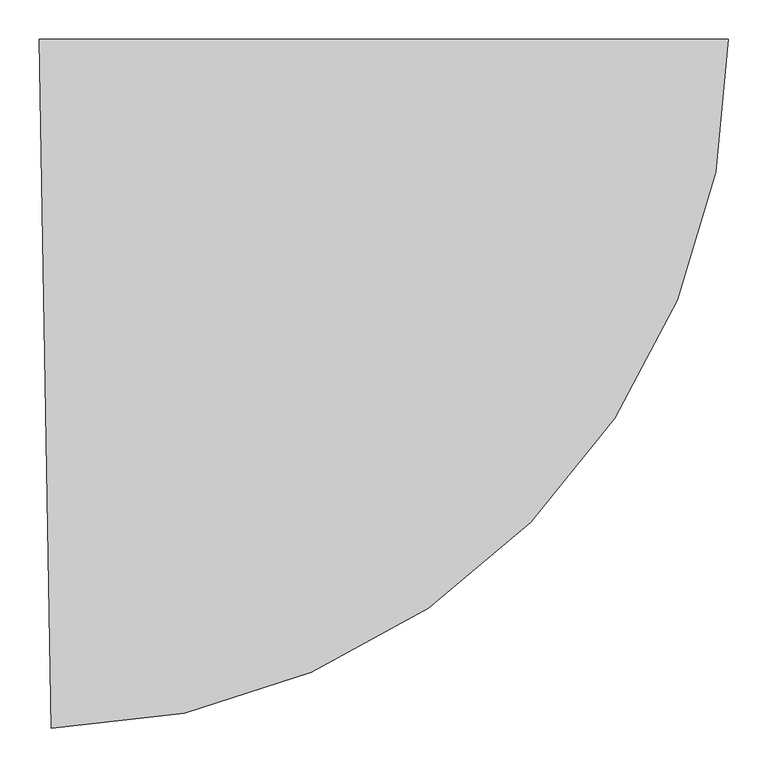
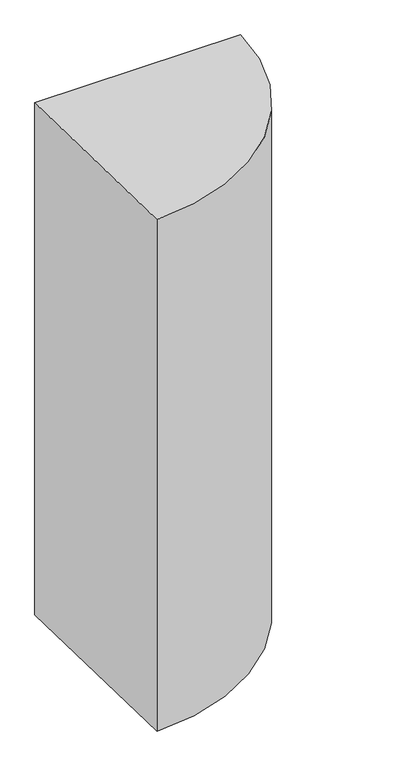
"""IFC4 building model written with IfcOpenShell, lengths in millimetres: proxy geometry."""

import ifcopenshell
import ifcopenshell.guid

model = None  # the IFC model being written
_history = None  # IfcOwnerHistory: only IFC2X3 demands one
_inside = {}  # id of a spatial element -> (the spatial element, [elements in it])
_under = {}  # id of a project, library or spatial element -> (it, [spatial elements below it])
_declared = {}  # id of a project -> (the project, [libraries it declares])
_typed = {}  # id of a type object -> (the type object, [elements of that type])
_made_of = {}  # id of a material, layer set ... -> (it, [elements and type objects made of it])


def new_model(schema):
    """Start an empty IFC model of exactly this schema.

    Asked for "IFC4X3", IfcOpenShell would pick the latest addendum, in which some entities
    have other attributes; the version numbers below select the first issue.
    IFC2X3 requires an IfcOwnerHistory on every rooted entity: one is made here for all.
    """
    global model, _history
    if schema == "IFC4X3":
        model = ifcopenshell.file(schema_version=(4, 3, 0, 0))
    else:
        model = ifcopenshell.file(schema=schema)
    _inside.clear()
    _under.clear()
    _declared.clear()
    _typed.clear()
    _made_of.clear()
    _history = None
    if model.schema == "IFC2X3":
        org = make("IfcOrganization", Name="unknown")
        user = make(
            "IfcPersonAndOrganization",
            ThePerson=make("IfcPerson", FamilyName="unknown"),
            TheOrganization=org,
        )
        app = make(
            "IfcApplication",
            ApplicationDeveloper=org,
            Version="unknown",
            ApplicationFullName="unknown",
            ApplicationIdentifier="unknown",
        )
        _history = make(
            "IfcOwnerHistory",
            OwningUser=user,
            OwningApplication=app,
            ChangeAction="ADDED",
            CreationDate=0,
        )
    return model


def make(cls, **values):
    """One entity of the class cls with the attributes given. An attribute that is None is left unset."""
    return model.create_entity(
        cls, **{name: value for name, value in values.items() if value is not None}
    )


def rooted(cls, **values):
    """An entity with a GlobalId (a new one), such as an element, a storey or a relation."""
    return make(cls, GlobalId=ifcopenshell.guid.new(), OwnerHistory=_history, **values)


def si_unit(unit_type, name, prefix=None):
    """IfcSIUnit, for example si_unit("LENGTHUNIT", "METRE", prefix="MILLI")."""
    return make("IfcSIUnit", UnitType=unit_type, Prefix=prefix, Name=name)


def assignment(units):
    """IfcUnitAssignment: the units of a project."""
    return None if units is None else make("IfcUnitAssignment", Units=units)


def point(xyz):
    """IfcCartesianPoint."""
    return None if xyz is None else make("IfcCartesianPoint", Coordinates=xyz)


def direction(xyz):
    """IfcDirection."""
    return None if xyz is None else make("IfcDirection", DirectionRatios=xyz)


def frame(location, z_axis=None, x_axis=None):
    """IfcAxis2Placement3D, a coordinate frame: its origin and axes. An axis left out is left unset."""
    return make(
        "IfcAxis2Placement3D",
        Location=point(location),
        Axis=direction(z_axis),
        RefDirection=direction(x_axis),
    )


def frame_2d(location, x_axis=None):
    """IfcAxis2Placement2D, a coordinate frame in the plane: its origin and x axis."""
    return make(
        "IfcAxis2Placement2D", Location=point(location), RefDirection=direction(x_axis)
    )


def origin():
    """The frame at (0, 0, 0) with its axes left unset."""
    return frame((0.0, 0.0, 0.0))


def origin_with_axes():
    """The frame at (0, 0, 0) with the z axis (0, 0, 1) and the x axis (1, 0, 0) written out."""
    return frame((0.0, 0.0, 0.0), z_axis=(0.0, 0.0, 1.0), x_axis=(1.0, 0.0, 0.0))


def origin_2d():
    """The frame at (0, 0) in the plane with its x axis left unset."""
    return frame_2d((0.0, 0.0))


def place(relative_to, where):
    """IfcLocalPlacement: puts the frame where relative to a parent placement (None: the world)."""
    return make(
        "IfcLocalPlacement", PlacementRelTo=relative_to, RelativePlacement=where
    )


def context(
    kind, dimensions, precision=None, world=None, true_north=None, identifier=None
):
    """IfcGeometricRepresentationContext, for example the 3D "Model" context."""
    return make(
        "IfcGeometricRepresentationContext",
        ContextIdentifier=identifier,
        ContextType=kind,
        CoordinateSpaceDimension=dimensions,
        Precision=precision,
        WorldCoordinateSystem=world,
        TrueNorth=true_north,
    )


def project(units=None, contexts=None):
    """IfcProject with its units and contexts."""
    return rooted(
        "IfcProject",
        Name="project",
        RepresentationContexts=contexts,
        UnitsInContext=assignment(units),
    )


def spatial(cls, under=None, at=None, **own):
    """A site, building, storey or space (cls), placed at a placement, below another one or the project."""
    s = rooted(cls, ObjectPlacement=at, **own)
    if under is not None:
        _under.setdefault(under.id(), (under, []))[1].append(s)
    return s


def polyline(points):
    """IfcPolyline through the points."""
    return make("IfcPolyline", Points=[point(p) for p in points])


def circle_curve(where, radius):
    """IfcCircle in the frame where."""
    return make("IfcCircle", Position=where, Radius=radius)


def trimmed(basis, trim1, trim2, sense, master):
    """IfcTrimmedCurve: the piece of a basis curve between two trims."""
    return make(
        "IfcTrimmedCurve",
        BasisCurve=basis,
        Trim1=trim1,
        Trim2=trim2,
        SenseAgreement=sense,
        MasterRepresentation=master,
    )


def segment(curve, same_sense, transition):
    """IfcCompositeCurveSegment."""
    return make(
        "IfcCompositeCurveSegment",
        Transition=transition,
        SameSense=same_sense,
        ParentCurve=curve,
    )


def composite_curve(segments, self_intersect=None):
    """IfcCompositeCurve: segments joined end to end."""
    return make("IfcCompositeCurve", Segments=segments, SelfIntersect=self_intersect)


def outline(outer, holes=None, kind="AREA"):
    """IfcArbitraryClosedProfileDef: a profile drawn as a closed curve; with holes, ...WithVoids."""
    if holes is None:
        return make("IfcArbitraryClosedProfileDef", ProfileType=kind, OuterCurve=outer)
    return make(
        "IfcArbitraryProfileDefWithVoids",
        ProfileType=kind,
        OuterCurve=outer,
        InnerCurves=holes,
    )


def extrude(swept, where, along, depth):
    """IfcExtrudedAreaSolid: the profile swept, set in the frame where, extruded along a direction by depth."""
    return make(
        "IfcExtrudedAreaSolid",
        SweptArea=swept,
        Position=where,
        ExtrudedDirection=direction(along),
        Depth=depth,
    )


def shape(context_of_items, identifier, shape_type, items):
    """IfcShapeRepresentation: the items that make up one representation, for example the "Body"."""
    return make(
        "IfcShapeRepresentation",
        ContextOfItems=context_of_items,
        RepresentationIdentifier=identifier,
        RepresentationType=shape_type,
        Items=items,
    )


def source(mapping_origin, context_of_items, identifier, shape_type, items):
    """IfcRepresentationMap: a shape defined once, which mapped items show again and again."""
    return make(
        "IfcRepresentationMap",
        MappingOrigin=mapping_origin,
        MappedRepresentation=shape(context_of_items, identifier, shape_type, items),
    )


def transform(
    local_origin,
    x_axis=None,
    y_axis=None,
    z_axis=None,
    scale=None,
    scale2=None,
    scale3=None,
    uniform=True,
):
    """IfcCartesianTransformationOperator3D, or its non-uniform kind. x_axis, y_axis, z_axis: its Axis1, 2, 3."""
    if uniform:
        return make(
            "IfcCartesianTransformationOperator3D",
            Axis1=direction(x_axis),
            Axis2=direction(y_axis),
            LocalOrigin=point(local_origin),
            Scale=scale,
            Axis3=direction(z_axis),
        )
    return make(
        "IfcCartesianTransformationOperator3DnonUniform",
        Axis1=direction(x_axis),
        Axis2=direction(y_axis),
        LocalOrigin=point(local_origin),
        Scale=scale,
        Axis3=direction(z_axis),
        Scale2=scale2,
        Scale3=scale3,
    )


def mapped(mapping_source, mapping_target):
    """IfcMappedItem: shows the shape of a source again, moved by a transform."""
    return make(
        "IfcMappedItem", MappingSource=mapping_source, MappingTarget=mapping_target
    )


def made_of(thing, what):
    """Note that an element or type object is made of a material, layer set ...; save() writes the relation."""
    if what is not None:
        _made_of.setdefault(what.id(), (what, []))[1].append(thing)
    return thing


def element(
    cls,
    number,
    at=None,
    inside=None,
    cuts=None,
    type_object=None,
    material=None,
    context=None,
    identifier="Body",
    shape_type=None,
    held_by="IfcProductDefinitionShape",
    body=None,
    shapes=None,
    **own,
):
    """One element of the class cls, such as IfcWall. Its Tag is "e" and its number.

    at: its placement. inside: the storey or other place that contains it. cuts: it is an
    opening in that element (IfcRelVoidsElement). A single representation is given by context,
    identifier, shape_type and body (its items); several are given by shapes. held_by: the class
    of the entity that holds the representations. save() writes the other relations.
    """
    e = rooted(cls, Tag="e%d" % number, ObjectPlacement=at, **own)
    if body is not None:
        shapes = [shape(context, identifier, shape_type, body)]
    if shapes is not None:
        e.Representation = make(held_by, Representations=shapes)
    if inside is not None:
        _inside.setdefault(inside.id(), (inside, []))[1].append(e)
    if cuts is not None:
        rooted(
            "IfcRelVoidsElement", RelatingBuildingElement=cuts, RelatedOpeningElement=e
        )
    if type_object is not None:
        _typed.setdefault(type_object.id(), (type_object, []))[1].append(e)
    return made_of(e, material)


def aggregate(whole, parts):
    """IfcRelAggregates: a whole, such as a stair, and the parts it consists of."""
    return rooted("IfcRelAggregates", RelatingObject=whole, RelatedObjects=parts)


def save(model, path):
    """Write the relations noted so far, then the file.

    IfcRelAggregates (storeys below a building ...), IfcRelContainedInSpatialStructure (elements
    in a storey), IfcRelDefinesByType, IfcRelAssociatesMaterial and IfcRelDeclares: one each for
    every whole, place, type object, material and project.
    """
    for whole, parts in _under.values():
        aggregate(whole, parts)
    for where, things in _inside.values():
        rooted(
            "IfcRelContainedInSpatialStructure",
            RelatedElements=things,
            RelatingStructure=where,
        )
    for kind, things in _typed.values():
        rooted("IfcRelDefinesByType", RelatedObjects=things, RelatingType=kind)
    for what, things in _made_of.values():
        rooted("IfcRelAssociatesMaterial", RelatedObjects=things, RelatingMaterial=what)
    for by, libraries in _declared.values():
        rooted("IfcRelDeclares", RelatingContext=by, RelatedDefinitions=libraries)
    model.write(path)


def generic_models_3eda4c79(model_context):
    return source(origin(), model_context, "Body", "SweptSolid", [
        extrude(outline(composite_curve([segment(polyline([(0.0, 0.0), (876.0, 0.0)]), True, "CONTINUOUS"), segment(trimmed(circle_curve(origin_2d(), 876.0), [point((876.0, 0.0))], [point((15.288308, -875.866581))], False, "CARTESIAN"), True, "CONTINUOUS"), segment(polyline([(15.288308, -875.866581), (0.0, 0.0)]), True, "CONTINUOUS")], self_intersect=False)), origin_with_axes(), (0.0, 0.0, 1.0), 2307.0),
    ])


if __name__ == "__main__":
    model = new_model("IFC4")
    model_context = context("Model", 3, world=origin())
    ifc_project = project(units=[si_unit("LENGTHUNIT", "METRE", prefix="MILLI")], contexts=[model_context])
    site = spatial("IfcSite", under=ifc_project)
    building = spatial("IfcBuilding", under=site)
    placement = place(None, origin())
    generic_models_shape = generic_models_3eda4c79(model_context)
    element("IfcBuildingElementProxy", 1, Name="Generic Models", at=placement, inside=building, context=model_context, shape_type="MappedRepresentation", body=[
        mapped(generic_models_shape, transform((0.0, 0.0, 0.0), x_axis=(1.0, 0.0, 0.0), y_axis=(0.0, 1.0, 0.0), z_axis=(0.0, 0.0, 1.0))),
    ])
    save(model, "model.ifc")
